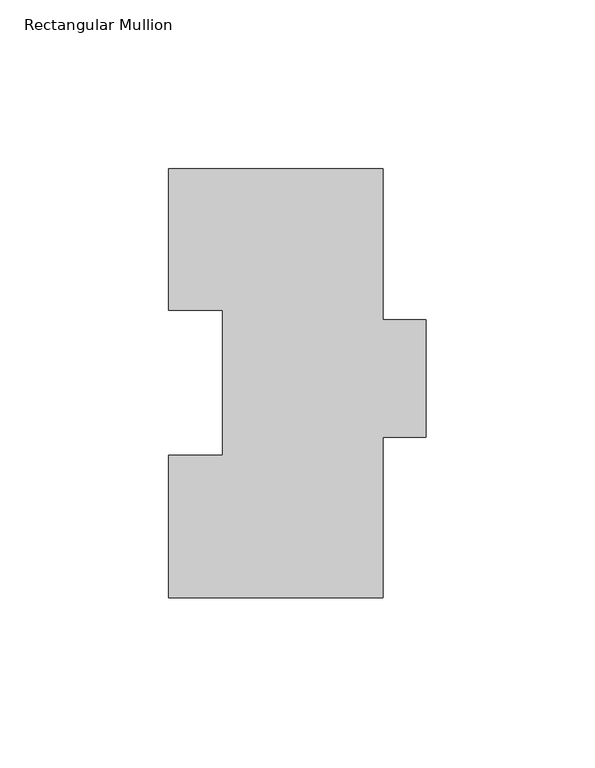
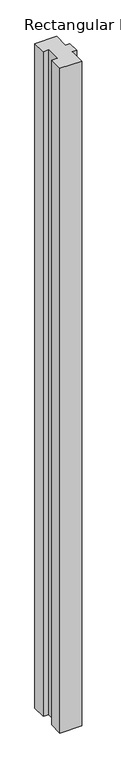
"""IFC4 building model written with IfcOpenShell, lengths in millimetres: member geometry, Rectangular Mullion."""

from ifc_helpers import new_model, si_unit, frame, origin, place, context, project, spatial, polyline, outline, extrude, source, transform, mapped, element, save


def rectangular_mullion_3ce8d11a(model_context):
    return source(origin(), model_context, "Body", "SweptSolid", [
        extrude(outline(polyline([(-31.75, 126.9888875), (31.75, 126.9888875), (31.75, 82.2848875), (44.45, 82.2848875), (44.45, 47.6138875), (31.75, 47.6138875), (31.75, -0.0111125), (-31.75, -0.0111125), (-31.75, 42.2798875), (-15.8496, 42.2798875), (-15.8496, 85.1296875), (-31.75, 85.1296875), (-31.75, 126.9888875)])), frame((0.0, 0.0, -2057.4), z_axis=(0.0, 0.0, 1.0), x_axis=(1.0, 0.0, 0.0)), (0.0, 0.0, 1.0), 2057.4),
    ])


if __name__ == "__main__":
    model = new_model("IFC4")
    model_context = context("Model", 3, world=origin())
    ifc_project = project(units=[si_unit("LENGTHUNIT", "METRE", prefix="MILLI")], contexts=[model_context])
    site = spatial("IfcSite", under=ifc_project)
    building = spatial("IfcBuilding", under=site)
    placement = place(None, origin())
    rectangular_mullion_shape = rectangular_mullion_3ce8d11a(model_context)
    element("IfcMember", 1, ObjectType="Rectangular Mullion", at=placement, inside=building, context=model_context, shape_type="MappedRepresentation", body=[
        mapped(rectangular_mullion_shape, transform((0.0, 0.0, 0.0), x_axis=(1.0, 0.0, 0.0), y_axis=(0.0, 1.0, 0.0), z_axis=(0.0, 0.0, 1.0))),
    ])
    save(model, "model.ifc")
